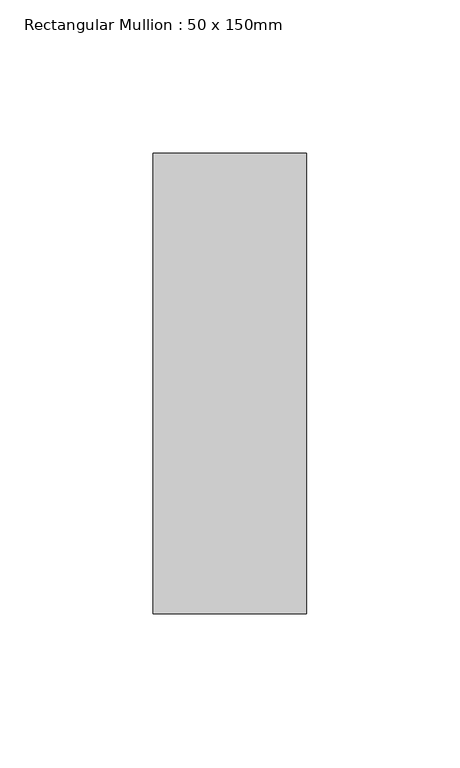
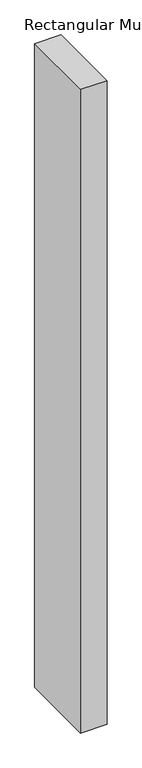
"""IFC4 building model written with IfcOpenShell, lengths in millimetres: member geometry, Rectangular Mullion : 50 x 150mm."""

from ifc_helpers import new_model, si_unit, frame, origin, place, context, project, spatial, polyline, outline, extrude, source, transform, mapped, element, save


def rectangular_mullion_50_x_150mm_d8386d88(model_context):
    return source(origin(), model_context, "Body", "SweptSolid", [
        extrude(outline(polyline([(25.0, 75.0), (25.0, -75.0), (-25.0, -75.0), (-25.0, 75.0), (25.0, 75.0)])), frame((0.0, 0.0, -1283.3333332), z_axis=(0.0, 0.0, 1.0), x_axis=(1.0, 0.0, 0.0)), (0.0, 0.0, 1.0), 1283.3333332),
    ])


if __name__ == "__main__":
    model = new_model("IFC4")
    model_context = context("Model", 3, world=origin())
    ifc_project = project(units=[si_unit("LENGTHUNIT", "METRE", prefix="MILLI")], contexts=[model_context])
    site = spatial("IfcSite", under=ifc_project)
    building = spatial("IfcBuilding", under=site)
    placement = place(None, origin())
    rectangular_mullion_50_x_150mm_shape = rectangular_mullion_50_x_150mm_d8386d88(model_context)
    element("IfcMember", 1, ObjectType="Rectangular Mullion : 50 x 150mm", at=placement, inside=building, context=model_context, shape_type="MappedRepresentation", body=[
        mapped(rectangular_mullion_50_x_150mm_shape, transform((0.0, 0.0, 0.0), x_axis=(1.0, 0.0, 0.0), y_axis=(0.0, 1.0, 0.0), z_axis=(0.0, 0.0, 1.0))),
    ])
    save(model, "model.ifc")
